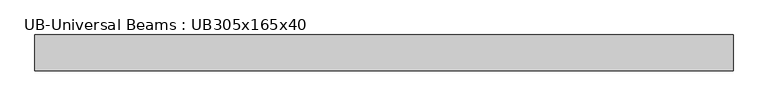
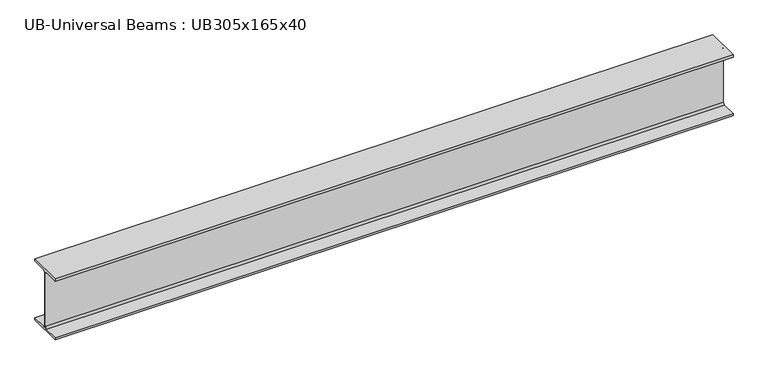
"""IFC4 building model written with IfcOpenShell, lengths in millimetres: beam geometry, UB-Universal Beams : UB305x165x40."""

from ifc_helpers import new_model, si_unit, point, frame, frame_2d, origin, place, context, project, spatial, polyline, circle_curve, trimmed, segment, composite_curve, outline, extrude, source, transform, mapped, element, save


def ub_universal_beams_ub305x165x40_82a1efd1(model_context):
    return source(origin(), model_context, "Body", "SweptSolid", [
        extrude(outline(composite_curve([segment(polyline([(82.5, -141.5), (82.5, -151.7), (-82.5, -151.7), (-82.5, -141.5), (-11.9, -141.5)]), True, "CONTINUOUS"), segment(trimmed(circle_curve(frame_2d((-11.9, -132.6)), 8.9), [point((-11.9, -141.5))], [point((-3.0, -132.6))], True, "CARTESIAN"), True, "CONTINUOUS"), segment(polyline([(-3.0, -132.6), (-3.0, 132.6)]), True, "CONTINUOUS"), segment(trimmed(circle_curve(frame_2d((-11.9, 132.6)), 8.9), [point((-3.0, 132.6))], [point((-11.9, 141.5))], True, "CARTESIAN"), True, "CONTINUOUS"), segment(polyline([(-11.9, 141.5), (-82.5, 141.5), (-82.5, 151.7), (82.5, 151.7), (82.5, 141.5), (11.9, 141.5)]), True, "CONTINUOUS"), segment(trimmed(circle_curve(frame_2d((11.9, 132.6)), 8.9), [point((11.9, 141.5))], [point((3.0, 132.6))], True, "CARTESIAN"), True, "CONTINUOUS"), segment(polyline([(3.0, 132.6), (3.0, -132.6)]), True, "CONTINUOUS"), segment(trimmed(circle_curve(frame_2d((11.9, -132.6)), 8.9), [point((3.0, -132.6))], [point((11.9, -141.5))], True, "CARTESIAN"), True, "CONTINUOUS"), segment(polyline([(11.9, -141.5), (82.5, -141.5)]), True, "CONTINUOUS")], self_intersect=False)), frame((-1600.0, 0.0, 0.0), z_axis=(1.0, 0.0, 0.0), x_axis=(0.0, 1.0, 0.0)), (0.0, 0.0, 1.0), 3200.0),
    ])


if __name__ == "__main__":
    model = new_model("IFC4")
    model_context = context("Model", 3, world=origin())
    ifc_project = project(units=[si_unit("LENGTHUNIT", "METRE", prefix="MILLI")], contexts=[model_context])
    site = spatial("IfcSite", under=ifc_project)
    building = spatial("IfcBuilding", under=site)
    placement = place(None, origin())
    ub_universal_beams_ub305x165x40_shape = ub_universal_beams_ub305x165x40_82a1efd1(model_context)
    element("IfcBeam", 1, ObjectType="UB-Universal Beams : UB305x165x40", at=placement, inside=building, context=model_context, shape_type="MappedRepresentation", body=[
        mapped(ub_universal_beams_ub305x165x40_shape, transform((0.0, 0.0, 0.0), x_axis=(1.0, 0.0, 0.0), y_axis=(0.0, 1.0, 0.0), z_axis=(0.0, 0.0, 1.0))),
    ])
    save(model, "model.ifc")
